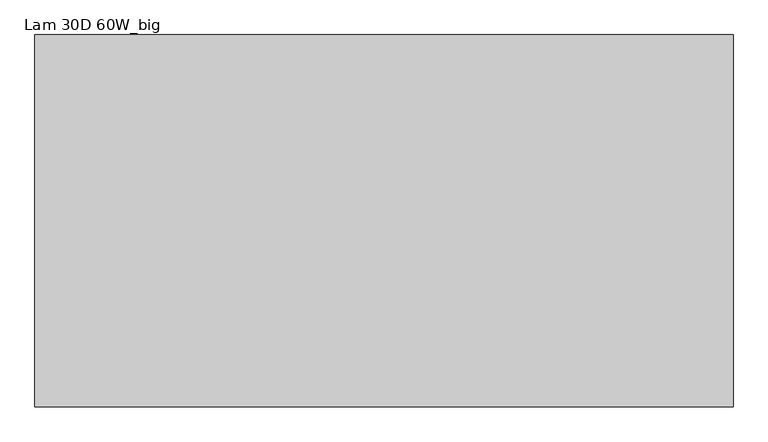
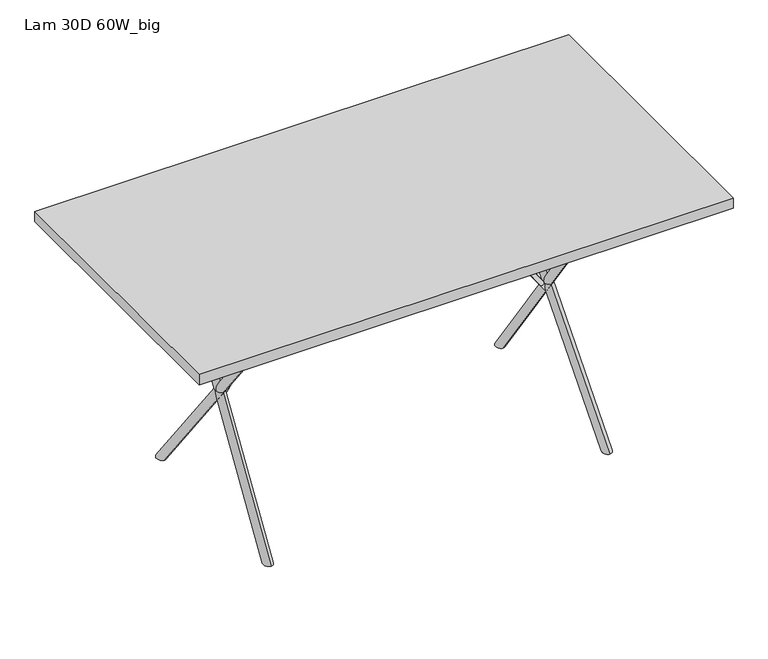
"""IFC4 building model written with IfcOpenShell, lengths in millimetres: furniture geometry, Lam 30D 60W_big."""

from ifc_helpers import new_model, si_unit, point, frame, frame_2d, origin, place, context, project, spatial, polyline, circle_curve, ellipse_curve, trimmed, segment, composite_curve, outline, extrude, source, transform, mapped, element, save
from ifc_brep_helpers import plane_surface, cylinder_surface, advanced_brep


def lam_30d_60w_big_499ba40e(model_context):
    return source(origin(), model_context, "Body", "SolidModel", [
        extrude(outline(composite_curve([segment(trimmed(circle_curve(frame_2d((0.0, -6.349985)), 6.3500301), [point((0.0, -12.7000151))], [point((0.0, 4.52e-05))], False, "CARTESIAN"), True, "CONTINUOUS"), segment(trimmed(circle_curve(frame_2d((0.0, -6.349985)), 6.3500301), [point((0.0, 4.52e-05))], [point((0.0, -12.7000151))], False, "CARTESIAN"), True, "CONTINUOUS")], self_intersect=False)), frame((448.4722567, 0.0, 355.4268153), z_axis=(-0.5735764183690047, 0.0, 0.8191520568801525), x_axis=(0.0, -1.0, 0.0)), (0.0, 0.0, 1.0), 433.5126859),
        extrude(outline(composite_curve([segment(trimmed(circle_curve(frame_2d((0.0, 6.349985)), 6.3500301), [point((0.0, -4.52e-05))], [point((0.0, 12.7000151))], False, "CARTESIAN"), True, "CONTINUOUS"), segment(trimmed(circle_curve(frame_2d((0.0, 6.349985)), 6.3500301), [point((0.0, 12.7000151))], [point((0.0, -4.52e-05))], False, "CARTESIAN"), True, "CONTINUOUS")], self_intersect=False)), frame((-461.5958629, 0.0, 336.6843624), z_axis=(0.5735764183690047, 0.0, 0.8191520568801525), x_axis=(0.0, -1.0, 0.0)), (0.0, 0.0, 1.0), 456.3929958),
        extrude(outline(composite_curve([segment(trimmed(circle_curve(frame_2d((0.0, 6.349985)), 6.3500301), [point((0.0, -4.52e-05))], [point((0.0, 12.7000151))], False, "CARTESIAN"), True, "CONTINUOUS"), segment(trimmed(circle_curve(frame_2d((0.0, 6.349985)), 6.3500301), [point((0.0, 12.7000151))], [point((0.0, -4.52e-05))], False, "CARTESIAN"), True, "CONTINUOUS")], self_intersect=False)), frame((461.5958629, 0.0, 336.6843624), z_axis=(-0.5735764183690047, 0.0, 0.8191520568801525), x_axis=(0.0, 1.0, 0.0)), (0.0, 0.0, 1.0), 456.3929958),
        extrude(outline(composite_curve([segment(trimmed(circle_curve(frame_2d((0.0, -6.349985)), 6.3500301), [point((0.0, -12.7000151))], [point((0.0, 4.52e-05))], False, "CARTESIAN"), True, "CONTINUOUS"), segment(trimmed(circle_curve(frame_2d((0.0, -6.349985)), 6.3500301), [point((0.0, 4.52e-05))], [point((0.0, -12.7000151))], False, "CARTESIAN"), True, "CONTINUOUS")], self_intersect=False)), frame((-448.4722567, 0.0, 355.4268153), z_axis=(0.5735764183690047, 0.0, 0.8191520568801525), x_axis=(0.0, 1.0, 0.0)), (0.0, 0.0, 1.0), 433.5126859),
        advanced_brep(
        [(-476.3269983, -243.900955, 0.0), (-476.3269983, -275.4219464, 0.0), (-444.8127296, 255.6181514, 721.7954208), (-445.4688542, 276.0829309, 706.7676985)],
        [
            (0, 1, ellipse_curve(frame((-476.3269983, -259.6614507, 0.0), z_axis=(0.0, 0.0, -1.0), x_axis=(0.05924020065670773, 0.9982437571185472, 0.0)), 15.7755105, 12.6991155)),
            (1, 0, ellipse_curve(frame((-476.3269983, -259.6614507, 0.0), z_axis=(0.0, 0.0, -1.0), x_axis=(0.05924020065670773, 0.9982437571185472, 0.0)), 15.7755105, 12.6991155)),
            (2, 3, circle_curve(frame((-445.1407919, 265.8505412, 714.2815597), z_axis=(0.035146587285348904, 0.5922475101821143, 0.8049891950115106), x_axis=(-0.025833473562813666, 0.8057560962742301, -0.5916838217837235)), 12.6991155)),
            (3, 2, circle_curve(frame((-445.1407919, 265.8505412, 714.2815597), z_axis=(0.035146587285348904, 0.5922475101821143, 0.8049891950115106), x_axis=(-0.025833473562813666, 0.8057560962742301, -0.5916838217837235)), 12.6991155)),
            (3, 0),
            (1, 2),
        ],
        [
            plane_surface(frame((750.0, 306.3011862, 0.0), z_axis=(0.0, 0.0, -1.0), x_axis=(0.0, -1.0, 0.0))),
            plane_surface(frame((-597.7220384, 276.0267563, 713.4565449), z_axis=(0.035146587285348904, 0.5922475101821143, 0.8049891950115106), x_axis=(-0.9990482215818578, 0.0, 0.04361938736533609))),
            cylinder_surface(frame((-445.1407919, 265.8505412, 714.2815597), z_axis=(0.035146587285348904, 0.5922475101821143, 0.8049891950115106), x_axis=(-0.025833473562813666, 0.8057560962742301, -0.5916838217837235)), 12.6991155),
        ],
        [
            (0, [[1, 2]]),
            (1, [[3, 4]]),
            (2, [[5, -2, 6, -4]]),
            (2, [[-6, -1, -5, -3]]),
        ],
    ),
        advanced_brep(
        [(-470.6207087, 273.561655, 0.0), (-476.3269983, 243.900955, 0.0), (-483.637246, 272.7891961, 0.0), (-445.4688542, -276.0829309, 706.7676985), (-444.8127296, -255.6181514, 721.7954208), (-476.2812266, 274.6506568, 1.0483451)],
        [
            (0, 1, ellipse_curve(frame((-476.3269983, 259.6614507, 0.0), z_axis=(0.0, 0.0, -1.0), x_axis=(0.059240200656762644, -0.9982437571185439, 0.0)), 15.7755105, 12.6991155)),
            (1, 2, ellipse_curve(frame((-476.3269983, 259.6614507, 0.0), z_axis=(0.0, 0.0, -1.0), x_axis=(0.059240200656762644, -0.9982437571185439, 0.0)), 15.7755105, 12.6991155)),
            (2, 0),
            (3, 4, circle_curve(frame((-445.1407919, -265.8505412, 714.2815597), z_axis=(0.03514658728538636, -0.592247510182115, 0.8049891950115087), x_axis=(0.02583347356276269, 0.8057560962742296, 0.5916838217837262)), 12.6991155)),
            (4, 3, circle_curve(frame((-445.1407919, -265.8505412, 714.2815597), z_axis=(0.03514658728538636, -0.592247510182115, 0.8049891950115087), x_axis=(0.02583347356276269, 0.8057560962742296, 0.5916838217837262)), 12.6991155)),
            (2, 5, circle_curve(frame((-476.6092888, 264.4182671, -6.4655161), z_axis=(-0.03514658728538636, 0.592247510182115, -0.8049891950115087), x_axis=(0.02583347356276269, 0.8057560962742296, 0.5916838217837262)), 12.6991155)),
            (5, 0, circle_curve(frame((-476.6092888, 264.4182671, -6.4655161), z_axis=(-0.03514658728538636, 0.592247510182115, -0.8049891950115087), x_axis=(0.02583347356276269, 0.8057560962742296, 0.5916838217837262)), 12.6991155)),
            (3, 1),
            (5, 4),
        ],
        [
            plane_surface(frame((750.0, 306.3011862, 0.0), z_axis=(0.0, 0.0, -1.0), x_axis=(0.0, -1.0, 0.0))),
            plane_surface(frame((-597.7220384, -276.0267563, 713.4565449), z_axis=(0.03514658728538635, -0.592247510182115, 0.8049891950115086), x_axis=(-0.9990482215818578, 0.0, 0.043619387365336076))),
            plane_surface(frame((-629.1905353, 254.242052, -7.2905309), z_axis=(-0.03514658728538635, 0.592247510182115, -0.8049891950115086), x_axis=(-0.9990482215818578, 0.0, 0.043619387365336076))),
            cylinder_surface(frame((-445.1407919, -265.8505412, 714.2815597), z_axis=(0.03514658728538635, -0.5922475101821149, 0.8049891950115085), x_axis=(0.02583347356276269, 0.8057560962742296, 0.5916838217837262)), 12.6991155),
        ],
        [
            (0, [[1, 2, 3]]),
            (1, [[4, 5]]),
            (2, [[-3, 6, 7]]),
            (3, [[8, -1, -7, 9, -4]]),
            (3, [[-9, -6, -2, -8, -5]]),
        ],
    ),
        advanced_brep(
        [(445.4688542, 276.0829309, 706.7676985), (444.8127296, 255.6181514, 721.7954208), (476.3269983, -275.4219464, 0.0), (476.3269983, -243.900955, 0.0)],
        [
            (0, 1, circle_curve(frame((445.1407919, 265.8505412, 714.2815597), z_axis=(-0.0351465872853882, 0.5922475101821145, 0.8049891950115088), x_axis=(-0.025833473562760202, -0.80575609627423, 0.591683821783726)), 12.6991155)),
            (1, 0, circle_curve(frame((445.1407919, 265.8505412, 714.2815597), z_axis=(-0.0351465872853882, 0.5922475101821145, 0.8049891950115088), x_axis=(-0.025833473562760202, -0.80575609627423, 0.591683821783726)), 12.6991155)),
            (1, 2),
            (2, 3, ellipse_curve(frame((476.3269983, -259.6614507, 0.0), z_axis=(0.0, 0.0, 1.0), x_axis=(-0.059240200656773705, 0.9982437571185433, 0.0)), 15.7755105, 12.6991155)),
            (3, 0),
            (3, 2, ellipse_curve(frame((476.3269983, -259.6614507, 0.0), z_axis=(0.0, 0.0, 1.0), x_axis=(-0.059240200656773705, 0.9982437571185433, 0.0)), 15.7755105, 12.6991155)),
        ],
        [
            plane_surface(frame((597.7220384, 276.0267563, 713.4565449), z_axis=(-0.0351465872853882, 0.5922475101821145, 0.8049891950115088), x_axis=(0.9990482215818578, 0.0, 0.043619387365336076))),
            cylinder_surface(frame((445.1407919, 265.8505412, 714.2815597), z_axis=(-0.0351465872853882, 0.5922475101821145, 0.8049891950115088), x_axis=(-0.025833473562760202, -0.80575609627423, 0.591683821783726)), 12.6991155),
            plane_surface(frame((750.0, 306.3011862, 0.0), z_axis=(0.0, 0.0, -1.0), x_axis=(0.0, -1.0, 0.0))),
        ],
        [
            (0, [[1, 2]]),
            (1, [[3, 4, 5, -2]]),
            (1, [[-5, 6, -3, -1]]),
            (2, [[-6, -4]]),
        ],
    ),
        advanced_brep(
        [(444.8127296, -255.6181514, 721.7954208), (445.4688542, -276.0829309, 706.7676985), (476.2812266, 274.6506568, 1.0483451), (483.637246, 272.7891961, 0.0), (470.6207087, 273.561655, 0.0), (476.3269983, 243.900955, 0.0)],
        [
            (0, 1, circle_curve(frame((445.1407919, -265.8505412, 714.2815597), z_axis=(-0.03514658728534323, -0.5922475101821145, 0.8049891950115108), x_axis=(0.025833473562821382, -0.8057560962742301, -0.5916838217837234)), 12.6991155)),
            (1, 0, circle_curve(frame((445.1407919, -265.8505412, 714.2815597), z_axis=(-0.03514658728534323, -0.5922475101821145, 0.8049891950115108), x_axis=(0.025833473562821382, -0.8057560962742301, -0.5916838217837234)), 12.6991155)),
            (2, 3, circle_curve(frame((476.6092888, 264.4182671, -6.4655161), z_axis=(0.03514658728534323, 0.5922475101821145, -0.8049891950115108), x_axis=(0.025833473562821382, -0.8057560962742301, -0.5916838217837234)), 12.6991155)),
            (3, 4),
            (4, 2, circle_curve(frame((476.6092888, 264.4182671, -6.4655161), z_axis=(0.03514658728534323, 0.5922475101821145, -0.8049891950115108), x_axis=(0.025833473562821382, -0.8057560962742301, -0.5916838217837234)), 12.6991155)),
            (0, 2),
            (4, 5, ellipse_curve(frame((476.3269983, 259.6614507, 0.0), z_axis=(0.0, 0.0, 1.0), x_axis=(-0.05924020065669025, -0.9982437571185482, 0.0)), 15.7755105, 12.6991155)),
            (5, 1),
            (5, 3, ellipse_curve(frame((476.3269983, 259.6614507, 0.0), z_axis=(0.0, 0.0, 1.0), x_axis=(-0.05924020065669025, -0.9982437571185482, 0.0)), 15.7755105, 12.6991155)),
        ],
        [
            plane_surface(frame((597.7220384, -276.0267563, 713.4565449), z_axis=(-0.03514658728534323, -0.5922475101821145, 0.8049891950115108), x_axis=(0.9990482215818578, 0.0, 0.04361938736533607))),
            plane_surface(frame((629.1905353, 254.242052, -7.2905309), z_axis=(0.03514658728534323, 0.5922475101821145, -0.8049891950115108), x_axis=(0.9990482215818578, 0.0, 0.04361938736533607))),
            cylinder_surface(frame((445.1407919, -265.8505412, 714.2815597), z_axis=(-0.03514658728534323, -0.5922475101821145, 0.8049891950115108), x_axis=(0.025833473562821382, -0.8057560962742301, -0.5916838217837234)), 12.6991155),
            plane_surface(frame((750.0, 306.3011862, 0.0), z_axis=(0.0, 0.0, -1.0), x_axis=(0.0, -1.0, 0.0))),
        ],
        [
            (0, [[1, 2]]),
            (1, [[3, 4, 5]]),
            (2, [[6, -5, 7, 8, -1]]),
            (2, [[-8, 9, -3, -6, -2]]),
            (3, [[-9, -7, -4]]),
        ],
    ),
        extrude(outline(polyline([(-750.0, -400.0), (-750.0, 400.0), (750.0, 400.0), (750.0, -400.0), (-750.0, -400.0)])), frame((0.0, 0.0, 710.5396236), z_axis=(0.0, 0.0, 1.0), x_axis=(1.0, 0.0, 0.0)), (0.0, 0.0, 1.0), 29.9720078),
    ])


if __name__ == "__main__":
    model = new_model("IFC4")
    model_context = context("Model", 3, world=origin())
    ifc_project = project(units=[si_unit("LENGTHUNIT", "METRE", prefix="MILLI")], contexts=[model_context])
    site = spatial("IfcSite", under=ifc_project)
    building = spatial("IfcBuilding", under=site)
    placement = place(None, origin())
    lam_30d_60w_big_shape = lam_30d_60w_big_499ba40e(model_context)
    element("IfcFurniture", 1, ObjectType="Lam 30D 60W_big", at=placement, inside=building, context=model_context, shape_type="MappedRepresentation", body=[
        mapped(lam_30d_60w_big_shape, transform((0.0, 0.0, 0.0), x_axis=(1.0, 0.0, 0.0), y_axis=(0.0, 1.0, 0.0), z_axis=(0.0, 0.0, 1.0))),
    ])
    save(model, "model.ifc")
